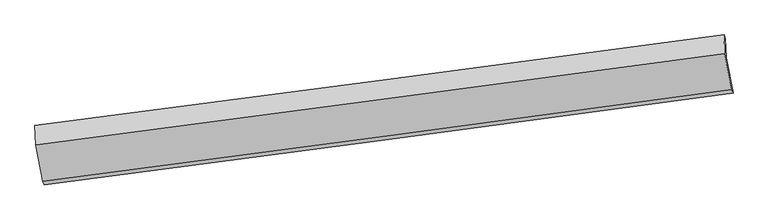
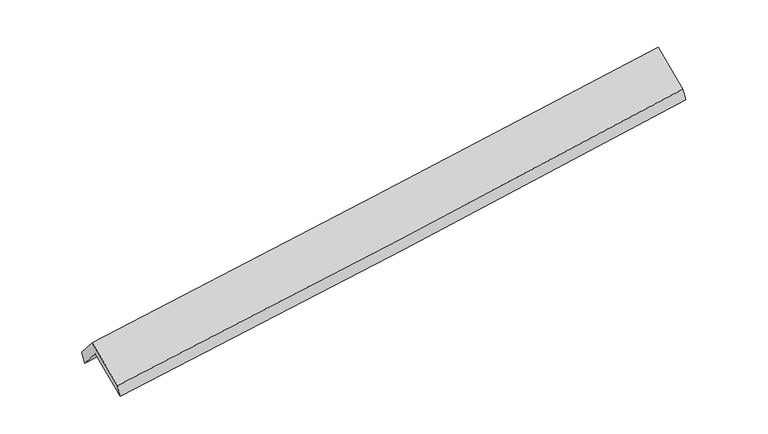
"""IFC4 building model written with IfcOpenShell, lengths in millimetres: proxy geometry."""

from ifc_helpers import new_model, si_unit, frame, origin, place, context, project, spatial, source, transform, mapped, element, save
from ifc_brep_helpers import plane_surface, spline_curve, spline_surface, advanced_brep


def generic_models_3ab69c5c(model_context):
    return source(origin(), model_context, "Body", "AdvancedBrep", [
        advanced_brep(
        [(-4749.4504418, -2224.6839357, 1762.6534664), (-4759.0822549, -1957.1574714, 1448.6868806), (4686.6058941, -713.0099317, 2205.8926059), (4696.0042649, -974.0524671, 2512.2497126), (-4778.2925557, -1904.6050741, 1605.2095044), (4667.3955932, -660.4575344, 2362.4152296), (-4768.7206701, -2170.4670348, 1917.222644), (4676.7340366, -919.8355662, 2666.8188903), (-4669.2581102, -2674.6862843, 1484.5332942), (4773.9758744, -1412.7970037, 2243.7902889), (-4651.4177871, -2721.6543703, 1336.1845952), (4791.8161976, -1459.7650896, 2095.4415899)],
        [
            (0, 1),
            (1, 2, spline_curve(3, [(-4759.0822549, -1957.1574714, 1448.6868806), (-3184.733106199, -1753.52026985, 1567.336281387), (-1610.921195769, -1548.090198795, 1689.718690775), (1537.64289724, -1133.3789475, 1942.11103193), (3112.393703195, -924.093171564, 2072.130531063), (4686.6058941, -713.0099317, 2205.8926059)], [4, 2, 4], [0.0, 15.668066527181715, 31.35619771705661])),
            (2, 3),
            (3, 0, spline_curve(3, [(4696.0042649, -974.0524671, 2512.2497126), (3121.753092126, -1184.052975948, 2377.216954568), (1547.002286172, -1393.338751361, 2247.197455436), (-1601.483892957, -1810.214080953, 1997.344855503), (-3175.217989381, -2017.805461381, 1877.498939003), (-4749.4504418, -2224.6839357, 1762.6534664)], [4, 2, 4], [0.0, 15.688131189874895, 31.35619771705661])),
            (1, 4),
            (4, 5, spline_curve(3, [(-4778.2925557, -1904.6050741, 1605.2095044), (-3203.943407028, -1700.967872689, 1723.858904965), (-1630.131496583, -1495.537801728, 1846.241314394), (1518.432596454, -1080.826549967, 2098.633655712), (3093.183402235, -871.540774339, 2228.653154393), (4667.3955932, -660.4575344, 2362.4152296)], [4, 2, 4], [0.0, 15.66804304906562, 31.356150730758138])),
            (5, 2),
            (4, 6),
            (6, 7, spline_curve(3, [(-4768.7206701, -2170.4670348, 1917.222644), (-3194.488217681, -1963.588560481, 2032.068116603), (-1620.754121257, -1755.997180053, 2151.914033203), (1527.732057872, -1339.121850461, 2401.766633136), (3102.482863826, -1129.836075048, 2531.786132268), (4676.7340366, -919.8355662, 2666.8188903)], [4, 2, 4], [0.0, 15.668066527181715, 31.35619771705661])),
            (7, 5),
            (6, 8),
            (8, 9, spline_curve(3, [(-4669.2581102, -2674.6862843, 1484.5332942), (-3094.656247209, -2469.680512759, 1597.771730395), (-1520.922150835, -2262.08913264, 1717.617646673), (1626.824734179, -1841.465998873, 1970.68637785), (3200.835299505, -1628.42761912, 2103.92612588), (4773.9758744, -1412.7970037, 2243.7902889)], [4, 2, 4], [0.0, 15.668153256289875, 31.35637128633898])),
            (9, 7),
            (8, 10),
            (10, 11, spline_curve(3, [(-4651.4177871, -2721.6543703, 1336.1845952), (-3076.815924012, -2516.648598932, 1449.423031229), (-1503.081828017, -2309.05721866, 1569.268947847), (1644.665057561, -1888.434084653, 1822.337678677), (3218.675622775, -1675.395704948, 1955.577426965), (4791.8161976, -1459.7650896, 2095.4415899)], [4, 2, 4], [0.0, 15.668241178750733, 31.35654724385497])),
            (11, 9),
            (10, 0),
            (3, 11),
        ],
        [
            spline_surface(3, 3, [[(-4749.4504418, -2224.6839357, 1762.6534664), (-3175.217989342, -2017.805461196, 1877.498939035), (-1601.483893115, -1810.214080723, 1997.344855479), (1547.00228633, -1393.33875159, 2247.197455459), (3121.753092346, -1184.052975882, 2377.216954405), (4696.0042649, -974.0524671, 2512.2497126)], [(-4752.66104617, -2135.508447591, 1657.99793781), (-3178.389694961, -1929.7103974, 1774.111386433), (-1604.629660702, -1722.839453471, 1894.802800544), (1543.882489991, -1306.685483478, 2145.501980945), (3118.633296007, -1097.39970777, 2275.521479891), (4692.871474628, -887.038288621, 2410.130677014)], [(-4755.87165053, -2046.332959509, 1553.34240919), (-3181.561400572, -1841.615333632, 1670.7238338), (-1607.775428273, -1635.464826256, 1792.260745667), (1540.76269367, -1220.032215404, 2043.806506487), (3115.513499686, -1010.746439696, 2173.826005433), (4689.738684372, -800.024110179, 2308.011641486)], [(-4759.0822549, -1957.1574714, 1448.6868806), (-3184.733106191, -1753.520269836, 1567.336281198), (-1610.92119586, -1548.090199003, 1689.718690732), (1537.642897332, -1133.378947292, 1942.111031973), (3112.393703347, -924.093171584, 2072.130530919), (4686.6058941, -713.0099317, 2205.8926059)]], [4, 4], [4, 2, 4], [0.0, 1.3208534033228274], [0.0, 15.668066527181715, 31.35619771705661]),
            spline_surface(3, 3, [[(-4759.0822549, -1957.1574714, 1448.6868806), (-3184.733106191, -1753.520269836, 1567.336281198), (-1610.92119586, -1548.090199003, 1689.718690732), (1537.642897332, -1133.378947292, 1942.111031973), (3112.393703347, -924.093171584, 2072.130530919), (4686.6058941, -713.0099317, 2205.8926059)], [(-4765.485688507, -1939.640005632, 1500.861088506), (-3191.136539799, -1736.002804068, 1619.510489103), (-1617.324629468, -1530.572733235, 1741.892898638), (1531.239463724, -1115.861481523, 1994.285239878), (3105.99026974, -906.575705816, 2124.304738824), (4680.202460493, -695.492465932, 2258.066813806)], [(-4771.889122093, -1922.122539868, 1553.035296494), (-3197.539973384, -1718.485338304, 1671.684697092), (-1623.728063053, -1513.055267472, 1794.067106527), (1524.836030139, -1098.34401576, 2046.459447767), (3099.586836055, -889.058240052, 2176.478946713), (4673.799026807, -677.975000168, 2310.241021694)], [(-4778.2925557, -1904.6050741, 1605.2095044), (-3203.943406991, -1700.967872536, 1723.858904998), (-1630.13149666, -1495.537801703, 1846.241314432), (1518.432596532, -1080.826549992, 2098.633655673), (3093.183402447, -871.540774284, 2228.653154619), (4667.3955932, -660.4575344, 2362.4152296)]], [4, 4], [4, 2, 4], [0.0, 0.5453514063930722], [0.0, 15.66804304906562, 31.356150730758138]),
            spline_surface(3, 3, [[(-4778.2925557, -1904.6050741, 1605.2095044), (-3203.943406991, -1700.967872536, 1723.858904998), (-1630.13149666, -1495.537801703, 1846.241314432), (1518.432596532, -1080.826549992, 2098.633655673), (3093.183402447, -871.540774284, 2228.653154619), (4667.3955932, -660.4575344, 2362.4152296)], [(-4775.101927158, -1993.225727664, 1709.213884296), (-3200.7916772, -1788.508101787, 1826.595308907), (-1627.005704901, -1582.357594411, 1948.132220673), (1521.532417042, -1166.924983559, 2199.677981494), (3096.283222958, -957.639207851, 2329.69748044), (4670.508407644, -746.916878334, 2463.883116492)], [(-4771.911298642, -2081.846381236, 1813.218264104), (-3197.639947433, -1876.048331045, 1929.331712726), (-1623.879913174, -1669.177387115, 2050.023126938), (1524.632237519, -1253.023417123, 2300.722307338), (3099.383043535, -1043.737641415, 2430.741806284), (4673.621222156, -833.376222266, 2565.351003408)], [(-4768.7206701, -2170.4670348, 1917.222644), (-3194.488217642, -1963.588560296, 2032.068116635), (-1620.754121415, -1755.997179823, 2151.914033179), (1527.73205803, -1339.12185069, 2401.766633159), (3102.482864046, -1129.836074982, 2531.786132105), (4676.7340366, -919.8355662, 2666.8188903)]], [4, 4], [4, 2, 4], [0.0, 1.312431087127184], [0.0, 15.668066527181715, 31.35619771705661]),
            spline_surface(3, 3, [[(-4768.7206701, -2170.4670348, 1917.222644), (-3194.488217642, -1963.588560296, 2032.068116635), (-1620.754121415, -1755.997179823, 2151.914033179), (1527.73205803, -1339.12185069, 2401.766633159), (3102.482864046, -1129.836074982, 2531.786132105), (4676.7340366, -919.8355662, 2666.8188903)], [(-4735.566483479, -2338.540117987, 1772.992860719), (-3161.21089421, -2132.285877873, 1887.302654535), (-1587.476797983, -1924.6944974, 2007.148571079), (1560.76295015, -1506.569900087, 2258.073214693), (3135.267009272, -1296.033256376, 2389.166130141), (4709.147982539, -1084.156045377, 2525.809356525)], [(-4702.412296821, -2506.613201113, 1628.763077481), (-3127.933570741, -2300.983195389, 1742.537192477), (-1554.199474514, -2093.391815016, 1862.383108921), (1593.793842307, -1674.017949524, 2114.379796168), (3168.05115448, -1462.230437739, 2246.546128101), (4741.561928461, -1248.476524523, 2384.799822675)], [(-4669.2581102, -2674.6862843, 1484.5332942), (-3094.656247309, -2469.680512966, 1597.771730377), (-1520.922151083, -2262.089132593, 1717.617646821), (1626.824734427, -1841.465998921, 1970.686377702), (3200.835299706, -1628.427619133, 2103.926126137), (4773.9758744, -1412.7970037, 2243.7902889)]], [4, 4], [4, 2, 4], [0.0, 2.2041372014882135], [0.0, 15.668153256289875, 31.35637128633898]),
            spline_surface(3, 3, [[(-4669.2581102, -2674.6862843, 1484.5332942), (-3094.656247309, -2469.680512966, 1597.771730377), (-1520.922151083, -2262.089132593, 1717.617646821), (1626.824734427, -1841.465998921, 1970.686377702), (3200.835299706, -1628.427619133, 2103.926126137), (4773.9758744, -1412.7970037, 2243.7902889)], [(-4663.31133581, -2690.342312948, 1435.083727852), (-3088.709472919, -2485.336541614, 1548.322164029), (-1514.975376693, -2277.745161241, 1668.168080473), (1632.771508817, -1857.122027569, 1921.236811354), (3206.782074096, -1644.083647781, 2054.476559788), (4779.92264879, -1428.453032348, 2194.340722552)], [(-4657.36456149, -2705.998341652, 1385.634161548), (-3082.762698599, -2500.992570318, 1498.872597726), (-1509.028602372, -2293.401189844, 1618.718514169), (1638.718283137, -1872.778056173, 1871.78724505), (3212.728848516, -1659.739676384, 2005.026993485), (4785.86942321, -1444.109060952, 2144.891156248)], [(-4651.4177871, -2721.6543703, 1336.1845952), (-3076.815924209, -2516.648598966, 1449.423031377), (-1503.081827983, -2309.057218493, 1569.268947821), (1644.665057527, -1888.434084821, 1822.337678702), (3218.675622906, -1675.395705033, 1955.577427137), (4791.8161976, -1459.7650896, 2095.4415899)]], [4, 4], [4, 2, 4], [0.0, 0.5138638957929951], [0.0, 15.668241178750733, 31.35654724385497]),
            spline_surface(3, 3, [[(-4651.4177871, -2721.6543703, 1336.1845952), (-3076.815924209, -2516.648598966, 1449.423031377), (-1503.081827983, -2309.057218493, 1569.268947821), (1644.665057527, -1888.434084821, 1822.337678702), (3218.675622906, -1675.395705033, 1955.577427137), (4791.8161976, -1459.7650896, 2095.4415899)], [(-4684.095338675, -2555.997558778, 1478.340885617), (-3109.616612595, -2350.367553054, 1592.115000613), (-1535.882516368, -2142.776172581, 1711.960917057), (1612.110800453, -1723.402307089, 1963.957604305), (3186.368112726, -1511.614795304, 2096.123936237), (4759.878886707, -1297.860882088, 2234.377630811)], [(-4716.772890225, -2390.340747222, 1620.497175983), (-3142.417300956, -2184.086507108, 1734.806969799), (-1568.683204729, -1976.495126635, 1854.652886243), (1579.556543404, -1558.370529322, 2105.577529857), (3154.060602526, -1347.833885611, 2236.670445305), (4727.941575793, -1135.956674612, 2373.313671689)], [(-4749.4504418, -2224.6839357, 1762.6534664), (-3175.217989342, -2017.805461196, 1877.498939035), (-1601.483893115, -1810.214080723, 1997.344855479), (1547.00228633, -1393.33875159, 2247.197455459), (3121.753092346, -1184.052975882, 2377.216954405), (4696.0042649, -974.0524671, 2512.2497126)]], [4, 4], [4, 2, 4], [0.0, 2.1724496035347194], [0.0, 15.66815325628987, 31.35637128633897]),
            plane_surface(frame((4715.4219768, -1023.3195988, 2347.7680529), z_axis=(0.9887046051736652, 0.12769176719997993, 0.0784730291102182), x_axis=(0.1139041767121261, -0.29987467775105753, -0.9471541670558348))),
            plane_surface(frame((-4729.3703033, -2275.5423618, 1592.4150641), z_axis=(-0.9887046051736659, -0.1276917671999594, -0.0784730291102433), x_axis=(0.14804813631585242, -0.7505208019498838, -0.6440499011520041))),
        ],
        [
            (0, [[1, 2, 3, 4]]),
            (1, [[5, 6, 7, -2]]),
            (2, [[8, 9, 10, -6]]),
            (3, [[11, 12, 13, -9]]),
            (4, [[14, 15, 16, -12]]),
            (5, [[17, -4, 18, -15]]),
            (6, [[-16, -18, -3, -7, -10, -13]]),
            (7, [[-17, -14, -11, -8, -5, -1]]),
        ],
    ),
    ])


if __name__ == "__main__":
    model = new_model("IFC4")
    model_context = context("Model", 3, world=origin())
    ifc_project = project(units=[si_unit("LENGTHUNIT", "METRE", prefix="MILLI")], contexts=[model_context])
    site = spatial("IfcSite", under=ifc_project)
    building = spatial("IfcBuilding", under=site)
    placement = place(None, origin())
    generic_models_shape = generic_models_3ab69c5c(model_context)
    element("IfcBuildingElementProxy", 1, Name="Generic Models", at=placement, inside=building, context=model_context, shape_type="MappedRepresentation", body=[
        mapped(generic_models_shape, transform((0.0, 0.0, 0.0), x_axis=(1.0, 0.0, 0.0), y_axis=(0.0, 1.0, 0.0), z_axis=(0.0, 0.0, 1.0))),
    ])
    save(model, "model.ifc")
